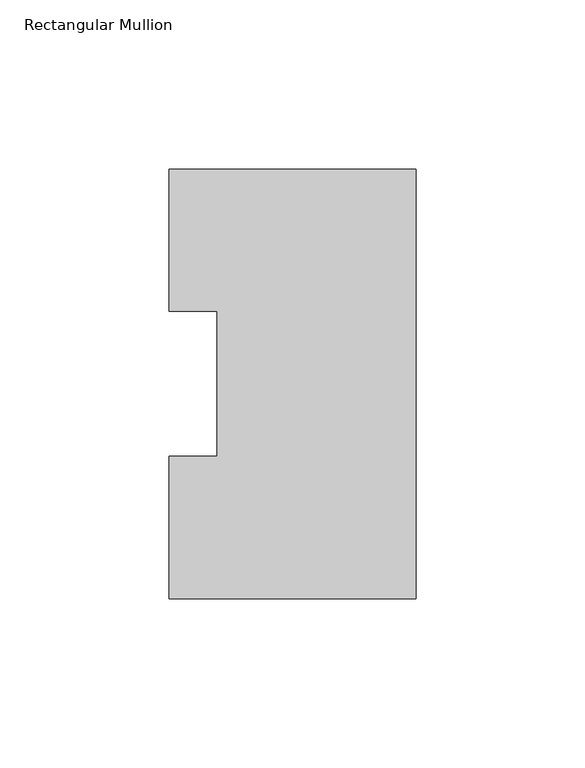
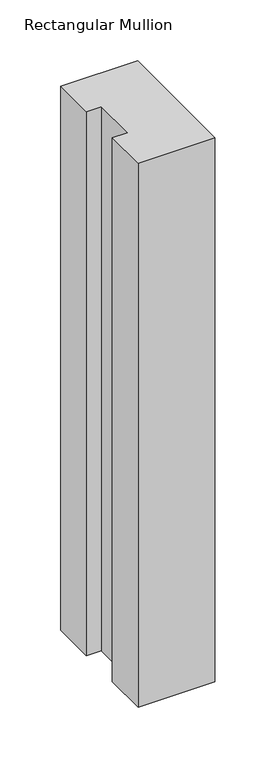
"""IFC4 building model written with IfcOpenShell, lengths in millimetres: member geometry, Rectangular Mullion."""

from ifc_helpers import new_model, si_unit, frame, origin, place, context, project, spatial, polyline, outline, extrude, source, transform, mapped, element, save


def rectangular_mullion_addc783b(model_context):
    return source(origin(), model_context, "Body", "SweptSolid", [
        extrude(outline(polyline([(0.0, 126.7086937), (0.0, -0.2913063), (-73.025, -0.2913063), (-73.025, 41.7837937), (-58.7375, 41.7837937), (-58.7375, 84.6335938), (-73.025, 84.6335938), (-73.025, 126.7086937), (0.0, 126.7086937)])), frame((0.0, 0.0, -546.1), z_axis=(0.0, 0.0, 1.0), x_axis=(1.0, 0.0, 0.0)), (0.0, 0.0, 1.0), 546.1),
    ])


if __name__ == "__main__":
    model = new_model("IFC4")
    model_context = context("Model", 3, world=origin())
    ifc_project = project(units=[si_unit("LENGTHUNIT", "METRE", prefix="MILLI")], contexts=[model_context])
    site = spatial("IfcSite", under=ifc_project)
    building = spatial("IfcBuilding", under=site)
    placement = place(None, origin())
    rectangular_mullion_shape = rectangular_mullion_addc783b(model_context)
    element("IfcMember", 1, ObjectType="Rectangular Mullion", at=placement, inside=building, context=model_context, shape_type="MappedRepresentation", body=[
        mapped(rectangular_mullion_shape, transform((0.0, 0.0, 0.0), x_axis=(1.0, 0.0, 0.0), y_axis=(0.0, 1.0, 0.0), z_axis=(0.0, 0.0, 1.0))),
    ])
    save(model, "model.ifc")
